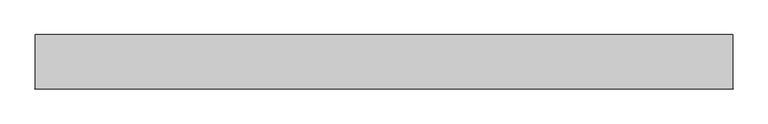
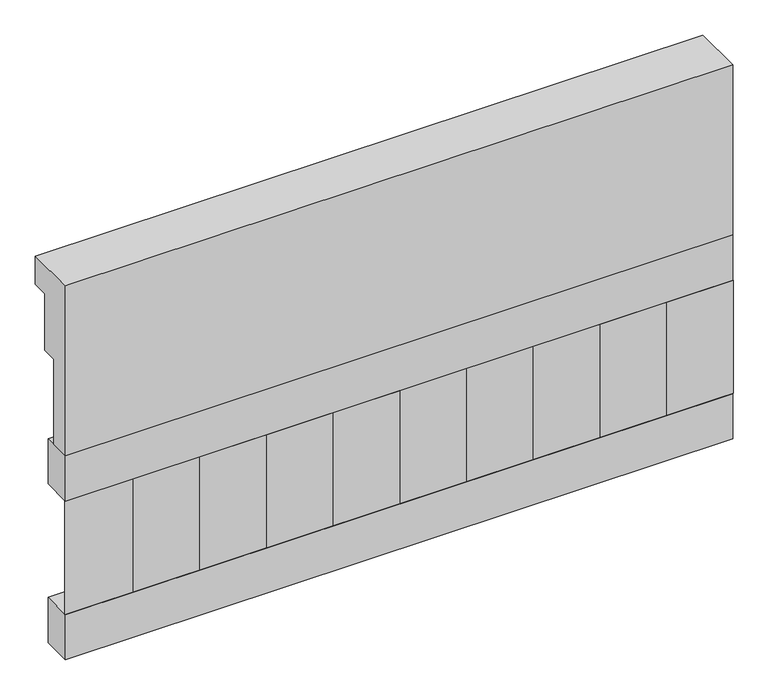
"""IFC4 building model written with IfcOpenShell, lengths in millimetres: railing geometry."""

from ifc_helpers import new_model, si_unit, frame, origin, place, context, project, spatial, polyline, outline, extrude, source, transform, mapped, element, save


def railing_306bb788(model_context):
    return source(origin(), model_context, "Body", "SweptSolid", [
        extrude(outline(polyline([(903.1079487, 21800.0), (1033.1079487, 21800.0), (1033.1079487, 21725.0), (993.1079487, 21725.0), (993.1079487, 21575.0), (953.1079487, 21575.0), (953.1079487, 21350.0), (903.1079487, 21350.0), (903.1079487, 21800.0)])), frame((19290.0112841, 0.0, 0.0), z_axis=(1.0, 0.0, 0.0), x_axis=(0.0, 1.0, 0.0)), (0.0, 0.0, 1.0), 1670.0),
        extrude(outline(polyline([(20960.0112841, 978.1079487), (20960.0112841, 903.1079487), (19290.0112841, 903.1079487), (19290.0112841, 978.1079487), (20960.0112841, 978.1079487)])), frame((0.0, 0.0, 21230.0), z_axis=(0.0, 0.0, 1.0), x_axis=(1.0, 0.0, 0.0)), (0.0, 0.0, 1.0), 120.0),
        extrude(outline(polyline([(20960.0112841, 978.1079487), (20960.0112841, 903.1079487), (19290.0112841, 903.1079487), (19290.0112841, 978.1079487), (20960.0112841, 978.1079487)])), frame((0.0, 0.0, 20810.0), z_axis=(0.0, 0.0, 1.0), x_axis=(1.0, 0.0, 0.0)), (0.0, 0.0, 1.0), 120.0),
        extrude(outline(polyline([(19373.5112841, 987.9607624), (19458.3640978, 903.1079487), (19288.6584704, 903.1079487), (19373.5112841, 987.9607624)])), frame((0.0, 0.0, 20930.0), z_axis=(0.0, 0.0, 1.0), x_axis=(1.0, 0.0, 0.0)), (0.0, 0.0, 1.0), 300.0),
        extrude(outline(polyline([(19540.5112841, 987.9607624), (19625.3640978, 903.1079487), (19455.6584704, 903.1079487), (19540.5112841, 987.9607624)])), frame((0.0, 0.0, 20930.0), z_axis=(0.0, 0.0, 1.0), x_axis=(1.0, 0.0, 0.0)), (0.0, 0.0, 1.0), 300.0),
        extrude(outline(polyline([(19707.5112841, 987.9607624), (19792.3640978, 903.1079487), (19622.6584704, 903.1079487), (19707.5112841, 987.9607624)])), frame((0.0, 0.0, 20930.0), z_axis=(0.0, 0.0, 1.0), x_axis=(1.0, 0.0, 0.0)), (0.0, 0.0, 1.0), 300.0),
        extrude(outline(polyline([(19874.5112841, 987.9607624), (19959.3640978, 903.1079487), (19789.6584704, 903.1079487), (19874.5112841, 987.9607624)])), frame((0.0, 0.0, 20930.0), z_axis=(0.0, 0.0, 1.0), x_axis=(1.0, 0.0, 0.0)), (0.0, 0.0, 1.0), 300.0),
        extrude(outline(polyline([(20041.5112841, 987.9607624), (20126.3640978, 903.1079487), (19956.6584704, 903.1079487), (20041.5112841, 987.9607624)])), frame((0.0, 0.0, 20930.0), z_axis=(0.0, 0.0, 1.0), x_axis=(1.0, 0.0, 0.0)), (0.0, 0.0, 1.0), 300.0),
        extrude(outline(polyline([(20208.5112841, 987.9607624), (20293.3640978, 903.1079487), (20123.6584704, 903.1079487), (20208.5112841, 987.9607624)])), frame((0.0, 0.0, 20930.0), z_axis=(0.0, 0.0, 1.0), x_axis=(1.0, 0.0, 0.0)), (0.0, 0.0, 1.0), 300.0),
        extrude(outline(polyline([(20375.5112841, 987.9607624), (20460.3640978, 903.1079487), (20290.6584704, 903.1079487), (20375.5112841, 987.9607624)])), frame((0.0, 0.0, 20930.0), z_axis=(0.0, 0.0, 1.0), x_axis=(1.0, 0.0, 0.0)), (0.0, 0.0, 1.0), 300.0),
        extrude(outline(polyline([(20542.5112841, 987.9607624), (20627.3640978, 903.1079487), (20457.6584704, 903.1079487), (20542.5112841, 987.9607624)])), frame((0.0, 0.0, 20930.0), z_axis=(0.0, 0.0, 1.0), x_axis=(1.0, 0.0, 0.0)), (0.0, 0.0, 1.0), 300.0),
        extrude(outline(polyline([(20709.5112841, 987.9607624), (20794.3640978, 903.1079487), (20624.6584704, 903.1079487), (20709.5112841, 987.9607624)])), frame((0.0, 0.0, 20930.0), z_axis=(0.0, 0.0, 1.0), x_axis=(1.0, 0.0, 0.0)), (0.0, 0.0, 1.0), 300.0),
        extrude(outline(polyline([(20876.5112841, 987.9607624), (20961.3640978, 903.1079487), (20791.6584704, 903.1079487), (20876.5112841, 987.9607624)])), frame((0.0, 0.0, 20930.0), z_axis=(0.0, 0.0, 1.0), x_axis=(1.0, 0.0, 0.0)), (0.0, 0.0, 1.0), 300.0),
    ])


if __name__ == "__main__":
    model = new_model("IFC4")
    model_context = context("Model", 3, world=origin())
    ifc_project = project(units=[si_unit("LENGTHUNIT", "METRE", prefix="MILLI")], contexts=[model_context])
    site = spatial("IfcSite", under=ifc_project)
    building = spatial("IfcBuilding", under=site)
    placement = place(None, origin())
    railing_shape = railing_306bb788(model_context)
    element("IfcRailing", 1, at=placement, inside=building, context=model_context, shape_type="MappedRepresentation", body=[
        mapped(railing_shape, transform((0.0, 0.0, 0.0), x_axis=(1.0, 0.0, 0.0), y_axis=(0.0, 1.0, 0.0), z_axis=(0.0, 0.0, 1.0))),
    ])
    save(model, "model.ifc")
